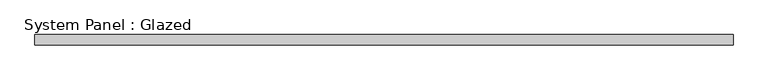
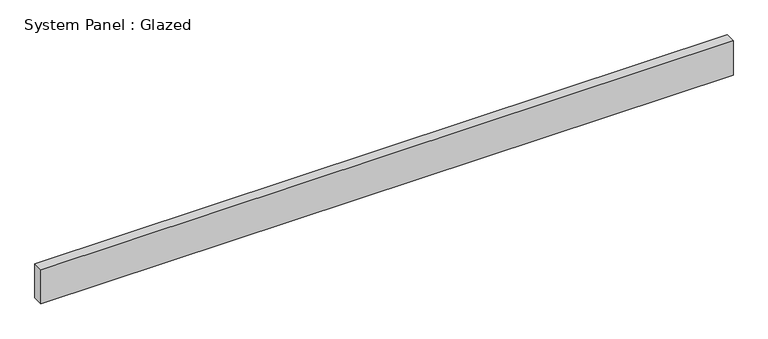
"""IFC4 building model written with IfcOpenShell, lengths in millimetres: plate geometry, System Panel : Glazed."""

import ifcopenshell
import ifcopenshell.guid

model = None  # the IFC model being written
_history = None  # IfcOwnerHistory: only IFC2X3 demands one
_inside = {}  # id of a spatial element -> (the spatial element, [elements in it])
_under = {}  # id of a project, library or spatial element -> (it, [spatial elements below it])
_declared = {}  # id of a project -> (the project, [libraries it declares])
_typed = {}  # id of a type object -> (the type object, [elements of that type])
_made_of = {}  # id of a material, layer set ... -> (it, [elements and type objects made of it])


def new_model(schema):
    """Start an empty IFC model of exactly this schema.

    Asked for "IFC4X3", IfcOpenShell would pick the latest addendum, in which some entities
    have other attributes; the version numbers below select the first issue.
    IFC2X3 requires an IfcOwnerHistory on every rooted entity: one is made here for all.
    """
    global model, _history
    if schema == "IFC4X3":
        model = ifcopenshell.file(schema_version=(4, 3, 0, 0))
    else:
        model = ifcopenshell.file(schema=schema)
    _inside.clear()
    _under.clear()
    _declared.clear()
    _typed.clear()
    _made_of.clear()
    _history = None
    if model.schema == "IFC2X3":
        org = make("IfcOrganization", Name="unknown")
        user = make(
            "IfcPersonAndOrganization",
            ThePerson=make("IfcPerson", FamilyName="unknown"),
            TheOrganization=org,
        )
        app = make(
            "IfcApplication",
            ApplicationDeveloper=org,
            Version="unknown",
            ApplicationFullName="unknown",
            ApplicationIdentifier="unknown",
        )
        _history = make(
            "IfcOwnerHistory",
            OwningUser=user,
            OwningApplication=app,
            ChangeAction="ADDED",
            CreationDate=0,
        )
    return model


def make(cls, **values):
    """One entity of the class cls with the attributes given. An attribute that is None is left unset."""
    return model.create_entity(
        cls, **{name: value for name, value in values.items() if value is not None}
    )


def rooted(cls, **values):
    """An entity with a GlobalId (a new one), such as an element, a storey or a relation."""
    return make(cls, GlobalId=ifcopenshell.guid.new(), OwnerHistory=_history, **values)


def si_unit(unit_type, name, prefix=None):
    """IfcSIUnit, for example si_unit("LENGTHUNIT", "METRE", prefix="MILLI")."""
    return make("IfcSIUnit", UnitType=unit_type, Prefix=prefix, Name=name)


def assignment(units):
    """IfcUnitAssignment: the units of a project."""
    return None if units is None else make("IfcUnitAssignment", Units=units)


def point(xyz):
    """IfcCartesianPoint."""
    return None if xyz is None else make("IfcCartesianPoint", Coordinates=xyz)


def direction(xyz):
    """IfcDirection."""
    return None if xyz is None else make("IfcDirection", DirectionRatios=xyz)


def frame(location, z_axis=None, x_axis=None):
    """IfcAxis2Placement3D, a coordinate frame: its origin and axes. An axis left out is left unset."""
    return make(
        "IfcAxis2Placement3D",
        Location=point(location),
        Axis=direction(z_axis),
        RefDirection=direction(x_axis),
    )


def origin():
    """The frame at (0, 0, 0) with its axes left unset."""
    return frame((0.0, 0.0, 0.0))


def origin_with_axes():
    """The frame at (0, 0, 0) with the z axis (0, 0, 1) and the x axis (1, 0, 0) written out."""
    return frame((0.0, 0.0, 0.0), z_axis=(0.0, 0.0, 1.0), x_axis=(1.0, 0.0, 0.0))


def place(relative_to, where):
    """IfcLocalPlacement: puts the frame where relative to a parent placement (None: the world)."""
    return make(
        "IfcLocalPlacement", PlacementRelTo=relative_to, RelativePlacement=where
    )


def context(
    kind, dimensions, precision=None, world=None, true_north=None, identifier=None
):
    """IfcGeometricRepresentationContext, for example the 3D "Model" context."""
    return make(
        "IfcGeometricRepresentationContext",
        ContextIdentifier=identifier,
        ContextType=kind,
        CoordinateSpaceDimension=dimensions,
        Precision=precision,
        WorldCoordinateSystem=world,
        TrueNorth=true_north,
    )


def project(units=None, contexts=None):
    """IfcProject with its units and contexts."""
    return rooted(
        "IfcProject",
        Name="project",
        RepresentationContexts=contexts,
        UnitsInContext=assignment(units),
    )


def spatial(cls, under=None, at=None, **own):
    """A site, building, storey or space (cls), placed at a placement, below another one or the project."""
    s = rooted(cls, ObjectPlacement=at, **own)
    if under is not None:
        _under.setdefault(under.id(), (under, []))[1].append(s)
    return s


def polyline(points):
    """IfcPolyline through the points."""
    return make("IfcPolyline", Points=[point(p) for p in points])


def outline(outer, holes=None, kind="AREA"):
    """IfcArbitraryClosedProfileDef: a profile drawn as a closed curve; with holes, ...WithVoids."""
    if holes is None:
        return make("IfcArbitraryClosedProfileDef", ProfileType=kind, OuterCurve=outer)
    return make(
        "IfcArbitraryProfileDefWithVoids",
        ProfileType=kind,
        OuterCurve=outer,
        InnerCurves=holes,
    )


def extrude(swept, where, along, depth):
    """IfcExtrudedAreaSolid: the profile swept, set in the frame where, extruded along a direction by depth."""
    return make(
        "IfcExtrudedAreaSolid",
        SweptArea=swept,
        Position=where,
        ExtrudedDirection=direction(along),
        Depth=depth,
    )


def shape(context_of_items, identifier, shape_type, items):
    """IfcShapeRepresentation: the items that make up one representation, for example the "Body"."""
    return make(
        "IfcShapeRepresentation",
        ContextOfItems=context_of_items,
        RepresentationIdentifier=identifier,
        RepresentationType=shape_type,
        Items=items,
    )


def source(mapping_origin, context_of_items, identifier, shape_type, items):
    """IfcRepresentationMap: a shape defined once, which mapped items show again and again."""
    return make(
        "IfcRepresentationMap",
        MappingOrigin=mapping_origin,
        MappedRepresentation=shape(context_of_items, identifier, shape_type, items),
    )


def transform(
    local_origin,
    x_axis=None,
    y_axis=None,
    z_axis=None,
    scale=None,
    scale2=None,
    scale3=None,
    uniform=True,
):
    """IfcCartesianTransformationOperator3D, or its non-uniform kind. x_axis, y_axis, z_axis: its Axis1, 2, 3."""
    if uniform:
        return make(
            "IfcCartesianTransformationOperator3D",
            Axis1=direction(x_axis),
            Axis2=direction(y_axis),
            LocalOrigin=point(local_origin),
            Scale=scale,
            Axis3=direction(z_axis),
        )
    return make(
        "IfcCartesianTransformationOperator3DnonUniform",
        Axis1=direction(x_axis),
        Axis2=direction(y_axis),
        LocalOrigin=point(local_origin),
        Scale=scale,
        Axis3=direction(z_axis),
        Scale2=scale2,
        Scale3=scale3,
    )


def mapped(mapping_source, mapping_target):
    """IfcMappedItem: shows the shape of a source again, moved by a transform."""
    return make(
        "IfcMappedItem", MappingSource=mapping_source, MappingTarget=mapping_target
    )


def made_of(thing, what):
    """Note that an element or type object is made of a material, layer set ...; save() writes the relation."""
    if what is not None:
        _made_of.setdefault(what.id(), (what, []))[1].append(thing)
    return thing


def element(
    cls,
    number,
    at=None,
    inside=None,
    cuts=None,
    type_object=None,
    material=None,
    context=None,
    identifier="Body",
    shape_type=None,
    held_by="IfcProductDefinitionShape",
    body=None,
    shapes=None,
    **own,
):
    """One element of the class cls, such as IfcWall. Its Tag is "e" and its number.

    at: its placement. inside: the storey or other place that contains it. cuts: it is an
    opening in that element (IfcRelVoidsElement). A single representation is given by context,
    identifier, shape_type and body (its items); several are given by shapes. held_by: the class
    of the entity that holds the representations. save() writes the other relations.
    """
    e = rooted(cls, Tag="e%d" % number, ObjectPlacement=at, **own)
    if body is not None:
        shapes = [shape(context, identifier, shape_type, body)]
    if shapes is not None:
        e.Representation = make(held_by, Representations=shapes)
    if inside is not None:
        _inside.setdefault(inside.id(), (inside, []))[1].append(e)
    if cuts is not None:
        rooted(
            "IfcRelVoidsElement", RelatingBuildingElement=cuts, RelatedOpeningElement=e
        )
    if type_object is not None:
        _typed.setdefault(type_object.id(), (type_object, []))[1].append(e)
    return made_of(e, material)


def aggregate(whole, parts):
    """IfcRelAggregates: a whole, such as a stair, and the parts it consists of."""
    return rooted("IfcRelAggregates", RelatingObject=whole, RelatedObjects=parts)


def save(model, path):
    """Write the relations noted so far, then the file.

    IfcRelAggregates (storeys below a building ...), IfcRelContainedInSpatialStructure (elements
    in a storey), IfcRelDefinesByType, IfcRelAssociatesMaterial and IfcRelDeclares: one each for
    every whole, place, type object, material and project.
    """
    for whole, parts in _under.values():
        aggregate(whole, parts)
    for where, things in _inside.values():
        rooted(
            "IfcRelContainedInSpatialStructure",
            RelatedElements=things,
            RelatingStructure=where,
        )
    for kind, things in _typed.values():
        rooted("IfcRelDefinesByType", RelatedObjects=things, RelatingType=kind)
    for what, things in _made_of.values():
        rooted("IfcRelAssociatesMaterial", RelatedObjects=things, RelatingMaterial=what)
    for by, libraries in _declared.values():
        rooted("IfcRelDeclares", RelatingContext=by, RelatedDefinitions=libraries)
    model.write(path)


def system_panel_glazed_246a0467(model_context):
    return source(origin(), model_context, "Body", "SweptSolid", [
        extrude(outline(polyline([(850.9, 19.05), (-850.9, 19.05), (-850.9, 44.45), (850.9, 44.45), (850.9, 19.05)])), origin_with_axes(), (0.0, 0.0, 1.0), 88.9),
    ])


if __name__ == "__main__":
    model = new_model("IFC4")
    model_context = context("Model", 3, world=origin())
    ifc_project = project(units=[si_unit("LENGTHUNIT", "METRE", prefix="MILLI")], contexts=[model_context])
    site = spatial("IfcSite", under=ifc_project)
    building = spatial("IfcBuilding", under=site)
    placement = place(None, origin())
    system_panel_glazed_shape = system_panel_glazed_246a0467(model_context)
    element("IfcPlate", 1, ObjectType="System Panel : Glazed", at=placement, inside=building, context=model_context, shape_type="MappedRepresentation", body=[
        mapped(system_panel_glazed_shape, transform((0.0, 0.0, 0.0), x_axis=(1.0, 0.0, 0.0), y_axis=(0.0, 1.0, 0.0), z_axis=(0.0, 0.0, 1.0))),
    ])
    save(model, "model.ifc")
